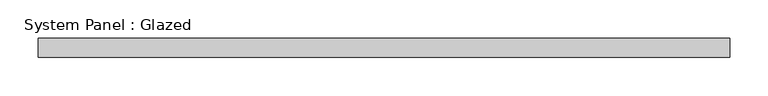
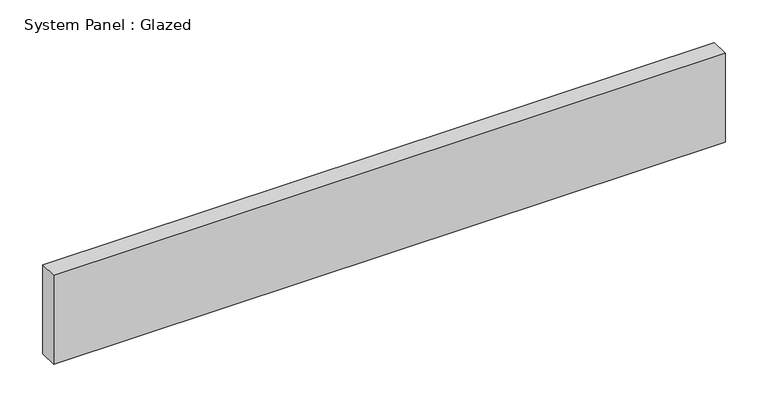
"""IFC4 building model written with IfcOpenShell, lengths in millimetres: plate geometry, System Panel : Glazed."""

from ifc_helpers import new_model, si_unit, origin, origin_with_axes, place, context, project, spatial, polyline, outline, extrude, source, transform, mapped, element, save


def system_panel_glazed_16b2e7fb(model_context):
    return source(origin(), model_context, "Body", "SweptSolid", [
        extrude(outline(polyline([(454.10735, -12.7), (-454.10735, -12.7), (-454.10735, 12.7), (454.10735, 12.7), (454.10735, -12.7)])), origin_with_axes(), (0.0, 0.0, 1.0), 127.0),
    ])


if __name__ == "__main__":
    model = new_model("IFC4")
    model_context = context("Model", 3, world=origin())
    ifc_project = project(units=[si_unit("LENGTHUNIT", "METRE", prefix="MILLI")], contexts=[model_context])
    site = spatial("IfcSite", under=ifc_project)
    building = spatial("IfcBuilding", under=site)
    placement = place(None, origin())
    system_panel_glazed_shape = system_panel_glazed_16b2e7fb(model_context)
    element("IfcPlate", 1, ObjectType="System Panel : Glazed", at=placement, inside=building, context=model_context, shape_type="MappedRepresentation", body=[
        mapped(system_panel_glazed_shape, transform((0.0, 0.0, 0.0), x_axis=(1.0, 0.0, 0.0), y_axis=(0.0, 1.0, 0.0), z_axis=(0.0, 0.0, 1.0))),
    ])
    save(model, "model.ifc")
